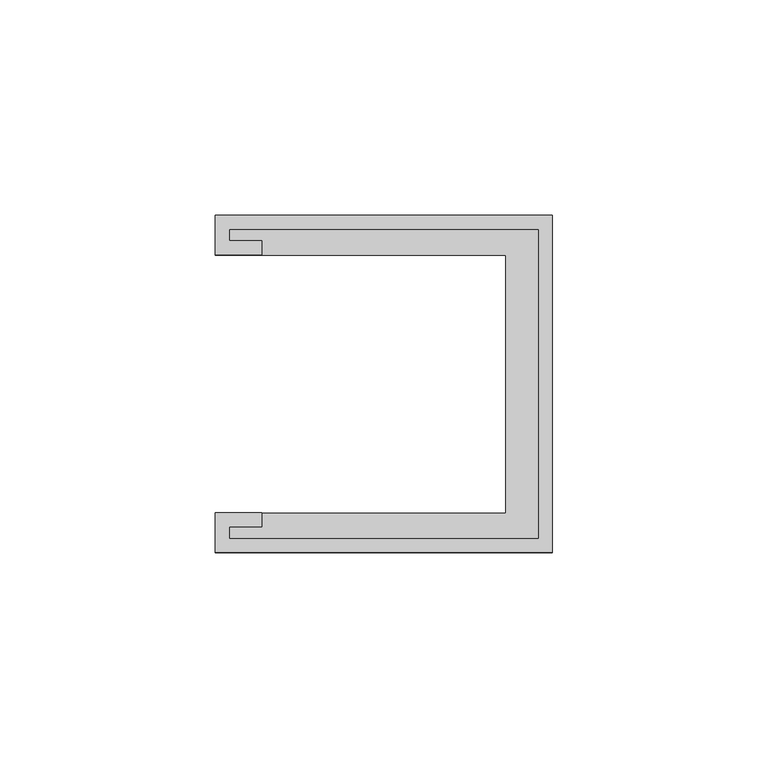
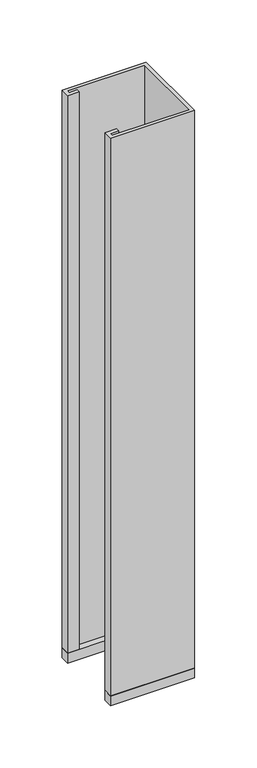
"""IFC4 building model written with IfcOpenShell, lengths in millimetres: furniture geometry."""

from ifc_helpers import new_model, si_unit, frame, origin, place, context, project, spatial, polyline, outline, extrude, source, transform, mapped, element, save


def furniture_5f2cd9f1(model_context):
    return source(origin(), model_context, "Body", "SweptSolid", [
        extrude(outline(polyline([(-39.0921875, 39.0921875), (39.0921875, 39.0921875), (39.0921875, -39.0921875), (-39.0921875, -39.0921875), (-39.0921875, -29.9735875), (28.2971875, -29.9735875), (28.2971875, 29.9735875), (-39.0921875, 29.9735875), (-39.0921875, 39.0921875)])), frame((0.0, 0.0, 1050.925), z_axis=(0.0, 0.0, 1.0), x_axis=(1.0, 0.0, 0.0)), (0.0, 0.0, 1.0), 9.525),
        extrude(outline(polyline([(-28.2971875, 29.9735875), (-39.0921875, 29.9735875), (-39.0921875, 39.0921875), (39.0921875, 39.0921875), (39.0921875, -39.0921875), (-39.0921875, -39.0921875), (-39.0921875, -29.9735875), (-28.2971875, -29.9735875), (-28.2971875, -33.1485875), (-35.9171875, -33.1485875), (-35.9171875, -35.9171875), (35.9171875, -35.9171875), (35.9171875, 35.9171875), (-35.9171875, 35.9171875), (-35.9171875, 33.1485875), (-28.2971875, 33.1485875), (-28.2971875, 29.9735875)])), frame((0.0, 0.0, 1060.45), z_axis=(0.0, 0.0, 1.0), x_axis=(1.0, 0.0, 0.0)), (0.0, 0.0, 1.0), 547.5882813),
    ])


if __name__ == "__main__":
    model = new_model("IFC4")
    model_context = context("Model", 3, world=origin())
    ifc_project = project(units=[si_unit("LENGTHUNIT", "METRE", prefix="MILLI")], contexts=[model_context])
    site = spatial("IfcSite", under=ifc_project)
    building = spatial("IfcBuilding", under=site)
    placement = place(None, origin())
    furniture_shape = furniture_5f2cd9f1(model_context)
    element("IfcFurniture", 1, at=placement, inside=building, context=model_context, shape_type="MappedRepresentation", body=[
        mapped(furniture_shape, transform((0.0, 0.0, 0.0), x_axis=(1.0, 0.0, 0.0), y_axis=(0.0, 1.0, 0.0), z_axis=(0.0, 0.0, 1.0))),
    ])
    save(model, "model.ifc")
